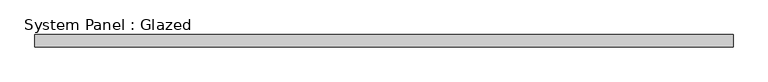
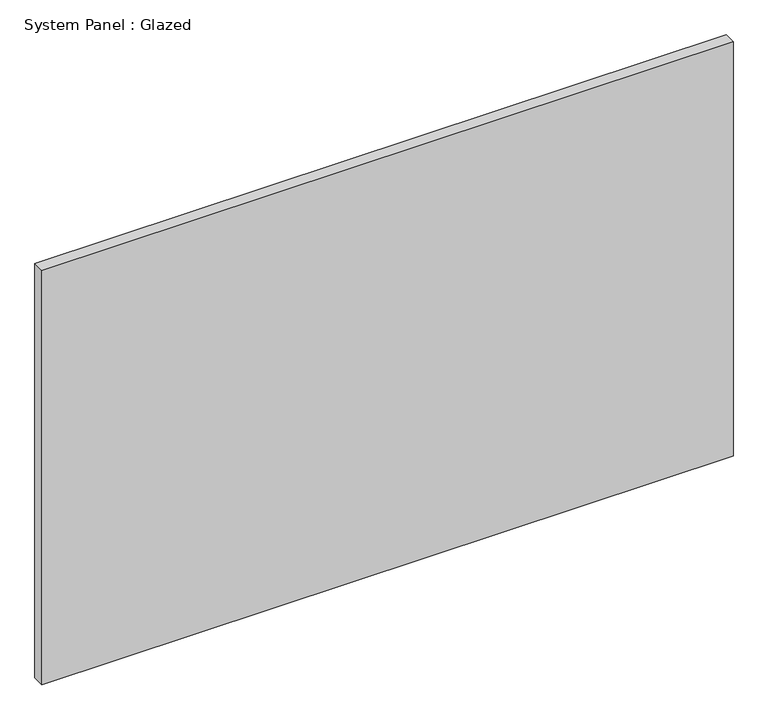
"""IFC4 building model written with IfcOpenShell, lengths in millimetres: plate geometry, System Panel : Glazed."""

from ifc_helpers import new_model, si_unit, origin, origin_with_axes, place, context, project, spatial, polyline, outline, extrude, source, transform, mapped, element, save


def system_panel_glazed_d7911a78(model_context):
    return source(origin(), model_context, "Body", "SweptSolid", [
        extrude(outline(polyline([(721.1645429, 19.05), (-721.1645429, 19.05), (-721.1645429, 44.45), (721.1645429, 44.45), (721.1645429, 19.05)])), origin_with_axes(), (0.0, 0.0, 1.0), 914.4),
    ])


if __name__ == "__main__":
    model = new_model("IFC4")
    model_context = context("Model", 3, world=origin())
    ifc_project = project(units=[si_unit("LENGTHUNIT", "METRE", prefix="MILLI")], contexts=[model_context])
    site = spatial("IfcSite", under=ifc_project)
    building = spatial("IfcBuilding", under=site)
    placement = place(None, origin())
    system_panel_glazed_shape = system_panel_glazed_d7911a78(model_context)
    element("IfcPlate", 1, ObjectType="System Panel : Glazed", at=placement, inside=building, context=model_context, shape_type="MappedRepresentation", body=[
        mapped(system_panel_glazed_shape, transform((0.0, 0.0, 0.0), x_axis=(1.0, 0.0, 0.0), y_axis=(0.0, 1.0, 0.0), z_axis=(0.0, 0.0, 1.0))),
    ])
    save(model, "model.ifc")
